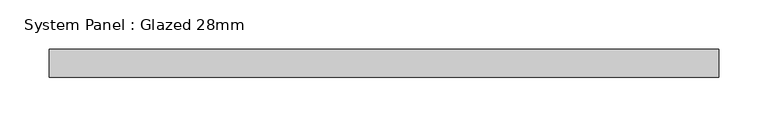
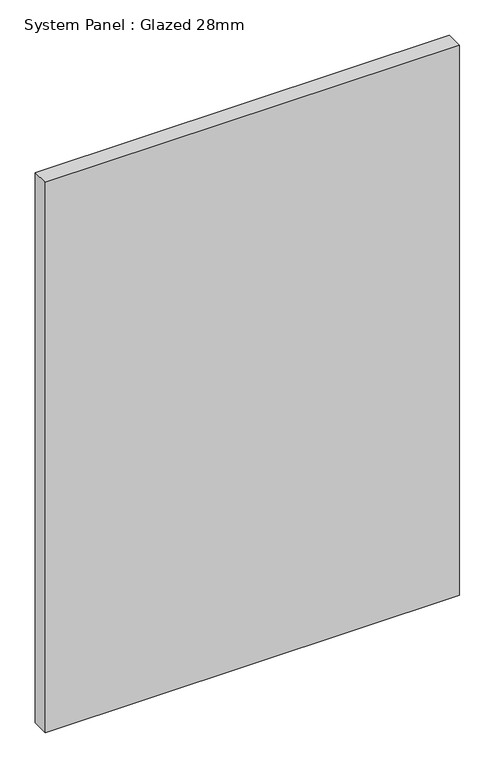
"""IFC4 building model written with IfcOpenShell, lengths in millimetres: plate geometry, System Panel : Glazed 28mm."""

from ifc_helpers import new_model, si_unit, origin, origin_with_axes, place, context, project, spatial, polyline, outline, extrude, source, transform, mapped, element, save


def system_panel_glazed_28mm_4df4b598(model_context):
    return source(origin(), model_context, "Body", "SweptSolid", [
        extrude(outline(polyline([(337.957623, -14.0), (-337.957623, -14.0), (-337.957623, 14.0), (337.957623, 14.0), (337.957623, -14.0)])), origin_with_axes(), (0.0, 0.0, 1.0), 948.6794583),
    ])


if __name__ == "__main__":
    model = new_model("IFC4")
    model_context = context("Model", 3, world=origin())
    ifc_project = project(units=[si_unit("LENGTHUNIT", "METRE", prefix="MILLI")], contexts=[model_context])
    site = spatial("IfcSite", under=ifc_project)
    building = spatial("IfcBuilding", under=site)
    placement = place(None, origin())
    system_panel_glazed_28mm_shape = system_panel_glazed_28mm_4df4b598(model_context)
    element("IfcPlate", 1, ObjectType="System Panel : Glazed 28mm", at=placement, inside=building, context=model_context, shape_type="MappedRepresentation", body=[
        mapped(system_panel_glazed_28mm_shape, transform((0.0, 0.0, 0.0), x_axis=(1.0, 0.0, 0.0), y_axis=(0.0, 1.0, 0.0), z_axis=(0.0, 0.0, 1.0))),
    ])
    save(model, "model.ifc")
